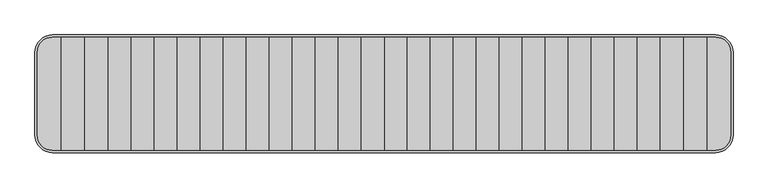
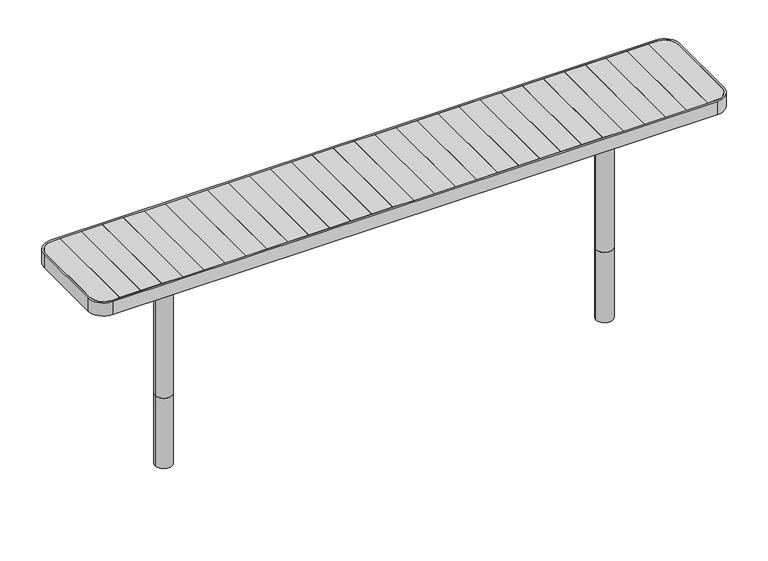
"""IFC4 building model written with IfcOpenShell, lengths in millimetres: furniture geometry."""

from ifc_helpers import new_model, si_unit, point, frame, frame_2d, origin, origin_with_axes, place, context, project, spatial, polyline, circle_curve, trimmed, segment, composite_curve, outline, extrude, source, transform, mapped, element, save
from ifc_brep_helpers import plane_surface, cylinder_surface, advanced_brep


def furniture_18b70ce7(model_context):
    return source(origin(), model_context, "Body", "SolidModel", [
        extrude(outline(composite_curve([segment(trimmed(circle_curve(frame_2d((1036.3271918, 0.0)), 40.0), [point((1076.3271918, 0.0))], [point((996.3271918, 0.0))], False, "CARTESIAN"), True, "CONTINUOUS"), segment(trimmed(circle_curve(frame_2d((1036.3271918, 0.0)), 40.0), [point((996.3271918, 0.0))], [point((1076.3271918, 0.0))], False, "CARTESIAN"), True, "CONTINUOUS")], self_intersect=False)), origin_with_axes(), (0.0, 0.0, 1.0), 708.0),
        extrude(outline(composite_curve([segment(trimmed(circle_curve(frame_2d((-1036.3271918, 0.0)), 40.0), [point((-1076.3271918, 0.0))], [point((-996.3271918, 0.0))], False, "CARTESIAN"), True, "CONTINUOUS"), segment(trimmed(circle_curve(frame_2d((-1036.3271918, 0.0)), 40.0), [point((-996.3271918, 0.0))], [point((-1076.3271918, 0.0))], False, "CARTESIAN"), True, "CONTINUOUS")], self_intersect=False)), origin_with_axes(), (0.0, 0.0, 1.0), 708.0),
        extrude(outline(polyline([(-1283.1, -242.0), (-1381.8, -242.0), (-1381.8, 242.0), (-1283.1, 242.0), (-1283.1, -242.0)])), frame((0.0, 0.0, 712.0), z_axis=(0.0, 0.0, 1.0), x_axis=(1.0, 0.0, 0.0)), (0.0, 0.0, 1.0), 28.0),
        extrude(outline(polyline([(-1184.4, -242.0), (-1283.1, -242.0), (-1283.1, 242.0), (-1184.4, 242.0), (-1184.4, -242.0)])), frame((0.0, 0.0, 712.0), z_axis=(0.0, 0.0, 1.0), x_axis=(1.0, 0.0, 0.0)), (0.0, 0.0, 1.0), 28.0),
        extrude(outline(polyline([(-1085.7, -242.0), (-1184.4, -242.0), (-1184.4, 242.0), (-1085.7, 242.0), (-1085.7, -242.0)])), frame((0.0, 0.0, 712.0), z_axis=(0.0, 0.0, 1.0), x_axis=(1.0, 0.0, 0.0)), (0.0, 0.0, 1.0), 28.0),
        extrude(outline(polyline([(-987.0, -242.0), (-1085.7, -242.0), (-1085.7, 242.0), (-987.0, 242.0), (-987.0, -242.0)])), frame((0.0, 0.0, 712.0), z_axis=(0.0, 0.0, 1.0), x_axis=(1.0, 0.0, 0.0)), (0.0, 0.0, 1.0), 28.0),
        extrude(outline(polyline([(-888.3, -242.0), (-987.0, -242.0), (-987.0, 242.0), (-888.3, 242.0), (-888.3, -242.0)])), frame((0.0, 0.0, 712.0), z_axis=(0.0, 0.0, 1.0), x_axis=(1.0, 0.0, 0.0)), (0.0, 0.0, 1.0), 28.0),
        extrude(outline(polyline([(-789.6, -242.0), (-888.3, -242.0), (-888.3, 242.0), (-789.6, 242.0), (-789.6, -242.0)])), frame((0.0, 0.0, 712.0), z_axis=(0.0, 0.0, 1.0), x_axis=(1.0, 0.0, 0.0)), (0.0, 0.0, 1.0), 28.0),
        extrude(outline(polyline([(-690.9, -242.0), (-789.6, -242.0), (-789.6, 242.0), (-690.9, 242.0), (-690.9, -242.0)])), frame((0.0, 0.0, 712.0), z_axis=(0.0, 0.0, 1.0), x_axis=(1.0, 0.0, 0.0)), (0.0, 0.0, 1.0), 28.0),
        extrude(outline(polyline([(-592.2, -242.0), (-690.9, -242.0), (-690.9, 242.0), (-592.2, 242.0), (-592.2, -242.0)])), frame((0.0, 0.0, 712.0), z_axis=(0.0, 0.0, 1.0), x_axis=(1.0, 0.0, 0.0)), (0.0, 0.0, 1.0), 28.0),
        extrude(outline(polyline([(-493.5, -242.0), (-592.2, -242.0), (-592.2, 242.0), (-493.5, 242.0), (-493.5, -242.0)])), frame((0.0, 0.0, 712.0), z_axis=(0.0, 0.0, 1.0), x_axis=(1.0, 0.0, 0.0)), (0.0, 0.0, 1.0), 28.0),
        extrude(outline(polyline([(-394.8, -242.0), (-493.5, -242.0), (-493.5, 242.0), (-394.8, 242.0), (-394.8, -242.0)])), frame((0.0, 0.0, 712.0), z_axis=(0.0, 0.0, 1.0), x_axis=(1.0, 0.0, 0.0)), (0.0, 0.0, 1.0), 28.0),
        extrude(outline(polyline([(-296.1, -242.0), (-394.8, -242.0), (-394.8, 242.0), (-296.1, 242.0), (-296.1, -242.0)])), frame((0.0, 0.0, 712.0), z_axis=(0.0, 0.0, 1.0), x_axis=(1.0, 0.0, 0.0)), (0.0, 0.0, 1.0), 28.0),
        extrude(outline(composite_curve([segment(polyline([(-1485.5004557, -177.0), (-1485.5004557, 177.0)]), True, "CONTINUOUS"), segment(trimmed(circle_curve(frame_2d((-1420.5004557, 177.0)), 65.0), [point((-1485.5004557, 177.0))], [point((-1420.5004557, 242.0))], False, "CARTESIAN"), True, "CONTINUOUS"), segment(polyline([(-1420.5004557, 242.0), (-1381.8, 242.0), (-1381.8, -242.0), (-1420.5004557, -242.0)]), True, "CONTINUOUS"), segment(trimmed(circle_curve(frame_2d((-1420.5004557, -177.0)), 65.0), [point((-1420.5004557, -242.0))], [point((-1485.5004557, -177.0))], False, "CARTESIAN"), True, "CONTINUOUS")], self_intersect=False)), frame((0.0, 0.0, 712.0), z_axis=(0.0, 0.0, 1.0), x_axis=(1.0, 0.0, 0.0)), (0.0, 0.0, 1.0), 28.0),
        extrude(outline(polyline([(-197.4, -242.0), (-296.1, -242.0), (-296.1, 242.0), (-197.4, 242.0), (-197.4, -242.0)])), frame((0.0, 0.0, 712.0), z_axis=(0.0, 0.0, 1.0), x_axis=(1.0, 0.0, 0.0)), (0.0, 0.0, 1.0), 28.0),
        extrude(outline(polyline([(-98.7, -242.0), (-197.4, -242.0), (-197.4, 242.0), (-98.7, 242.0), (-98.7, -242.0)])), frame((0.0, 0.0, 712.0), z_axis=(0.0, 0.0, 1.0), x_axis=(1.0, 0.0, 0.0)), (0.0, 0.0, 1.0), 28.0),
        extrude(outline(polyline([(0.0, -242.0), (-98.7, -242.0), (-98.7, 242.0), (0.0, 242.0), (0.0, -242.0)])), frame((0.0, 0.0, 712.0), z_axis=(0.0, 0.0, 1.0), x_axis=(1.0, 0.0, 0.0)), (0.0, 0.0, 1.0), 28.0),
        extrude(outline(polyline([(1381.8, -242.0), (1283.1, -242.0), (1283.1, 242.0), (1381.8, 242.0), (1381.8, -242.0)])), frame((0.0, 0.0, 712.0), z_axis=(0.0, 0.0, 1.0), x_axis=(1.0, 0.0, 0.0)), (0.0, 0.0, 1.0), 28.0),
        extrude(outline(polyline([(1283.1, -242.0), (1184.4, -242.0), (1184.4, 242.0), (1283.1, 242.0), (1283.1, -242.0)])), frame((0.0, 0.0, 712.0), z_axis=(0.0, 0.0, 1.0), x_axis=(1.0, 0.0, 0.0)), (0.0, 0.0, 1.0), 28.0),
        extrude(outline(polyline([(1184.4, -242.0), (1085.7, -242.0), (1085.7, 242.0), (1184.4, 242.0), (1184.4, -242.0)])), frame((0.0, 0.0, 712.0), z_axis=(0.0, 0.0, 1.0), x_axis=(1.0, 0.0, 0.0)), (0.0, 0.0, 1.0), 28.0),
        extrude(outline(polyline([(1085.7, -242.0), (987.0, -242.0), (987.0, 242.0), (1085.7, 242.0), (1085.7, -242.0)])), frame((0.0, 0.0, 712.0), z_axis=(0.0, 0.0, 1.0), x_axis=(1.0, 0.0, 0.0)), (0.0, 0.0, 1.0), 28.0),
        extrude(outline(polyline([(987.0, -242.0), (888.3, -242.0), (888.3, 242.0), (987.0, 242.0), (987.0, -242.0)])), frame((0.0, 0.0, 712.0), z_axis=(0.0, 0.0, 1.0), x_axis=(1.0, 0.0, 0.0)), (0.0, 0.0, 1.0), 28.0),
        extrude(outline(polyline([(888.3, -242.0), (789.6, -242.0), (789.6, 242.0), (888.3, 242.0), (888.3, -242.0)])), frame((0.0, 0.0, 712.0), z_axis=(0.0, 0.0, 1.0), x_axis=(1.0, 0.0, 0.0)), (0.0, 0.0, 1.0), 28.0),
        extrude(outline(polyline([(789.6, -242.0), (690.9, -242.0), (690.9, 242.0), (789.6, 242.0), (789.6, -242.0)])), frame((0.0, 0.0, 712.0), z_axis=(0.0, 0.0, 1.0), x_axis=(1.0, 0.0, 0.0)), (0.0, 0.0, 1.0), 28.0),
        extrude(outline(polyline([(690.9, -242.0), (592.2, -242.0), (592.2, 242.0), (690.9, 242.0), (690.9, -242.0)])), frame((0.0, 0.0, 712.0), z_axis=(0.0, 0.0, 1.0), x_axis=(1.0, 0.0, 0.0)), (0.0, 0.0, 1.0), 28.0),
        extrude(outline(polyline([(592.2, -242.0), (493.5, -242.0), (493.5, 242.0), (592.2, 242.0), (592.2, -242.0)])), frame((0.0, 0.0, 712.0), z_axis=(0.0, 0.0, 1.0), x_axis=(1.0, 0.0, 0.0)), (0.0, 0.0, 1.0), 28.0),
        extrude(outline(polyline([(493.5, -242.0), (394.8, -242.0), (394.8, 242.0), (493.5, 242.0), (493.5, -242.0)])), frame((0.0, 0.0, 712.0), z_axis=(0.0, 0.0, 1.0), x_axis=(1.0, 0.0, 0.0)), (0.0, 0.0, 1.0), 28.0),
        extrude(outline(polyline([(394.8, -242.0), (296.1, -242.0), (296.1, 242.0), (394.8, 242.0), (394.8, -242.0)])), frame((0.0, 0.0, 712.0), z_axis=(0.0, 0.0, 1.0), x_axis=(1.0, 0.0, 0.0)), (0.0, 0.0, 1.0), 28.0),
        extrude(outline(composite_curve([segment(trimmed(circle_curve(frame_2d((1420.5004557, -177.0)), 65.0), [point((1485.5004557, -177.0))], [point((1420.5004557, -242.0))], False, "CARTESIAN"), True, "CONTINUOUS"), segment(polyline([(1420.5004557, -242.0), (1381.8, -242.0), (1381.8, 242.0), (1420.5004557, 242.0)]), True, "CONTINUOUS"), segment(trimmed(circle_curve(frame_2d((1420.5004557, 177.0)), 65.0), [point((1420.5004557, 242.0))], [point((1485.5004557, 177.0))], False, "CARTESIAN"), True, "CONTINUOUS"), segment(polyline([(1485.5004557, 177.0), (1485.5004557, -177.0)]), True, "CONTINUOUS")], self_intersect=False)), frame((0.0, 0.0, 712.0), z_axis=(0.0, 0.0, 1.0), x_axis=(1.0, 0.0, 0.0)), (0.0, 0.0, 1.0), 28.0),
        extrude(outline(polyline([(296.1, -242.0), (197.4, -242.0), (197.4, 242.0), (296.1, 242.0), (296.1, -242.0)])), frame((0.0, 0.0, 712.0), z_axis=(0.0, 0.0, 1.0), x_axis=(1.0, 0.0, 0.0)), (0.0, 0.0, 1.0), 28.0),
        extrude(outline(polyline([(197.4, -242.0), (98.7, -242.0), (98.7, 242.0), (197.4, 242.0), (197.4, -242.0)])), frame((0.0, 0.0, 712.0), z_axis=(0.0, 0.0, 1.0), x_axis=(1.0, 0.0, 0.0)), (0.0, 0.0, 1.0), 28.0),
        extrude(outline(polyline([(98.7, -242.0), (0.0, -242.0), (0.0, 242.0), (98.7, 242.0), (98.7, -242.0)])), frame((0.0, 0.0, 712.0), z_axis=(0.0, 0.0, 1.0), x_axis=(1.0, 0.0, 0.0)), (0.0, 0.0, 1.0), 28.0),
        advanced_brep(
        [(-1485.5004557, 177.0, 708.0), (-1420.5004557, 242.0, 708.0), (1420.5004557, 242.0, 708.0), (1485.5004557, 177.0, 708.0), (1485.5004557, -177.0, 708.0), (1420.5004557, -242.0, 708.0), (-1420.5004557, -242.0, 708.0), (-1485.5004557, -177.0, 708.0), (-1076.8785308, -142.0, 708.0), (-1076.8785308, 142.0, 708.0), (-1376.8, 141.9868511, 708.0), (-1376.8, -142.0, 708.0), (-995.8618569, 142.0, 708.0), (-995.8618569, -142.0, 708.0), (995.8618569, -142.0, 708.0), (995.8618569, 142.0, 708.0), (1386.8, 141.9868511, 708.0), (1076.8785308, 141.9885614, 708.0), (1076.8785308, -142.0, 708.0), (1386.8, -142.0, 708.0), (-1076.8785308, -142.0, 712.0), (-1076.8785308, 142.0, 712.0), (-1485.5004557, 177.0, 712.0), (-1485.5004557, -177.0, 712.0), (-1420.5004557, -242.0, 712.0), (1420.5004557, -242.0, 712.0), (1485.5004557, -177.0, 712.0), (1485.5004557, 177.0, 712.0), (1420.5004557, 242.0, 712.0), (-1420.5004557, 242.0, 712.0), (-1376.8, -142.0, 712.0), (-1376.8, 141.9868511, 712.0), (-995.8618569, -142.0, 712.0), (-995.8618569, 142.0, 712.0), (995.8618569, 141.9890085, 712.0), (995.8618569, -142.0, 712.0), (1386.8, -142.0, 712.0), (1076.8785308, -142.0, 712.0), (1076.8785308, 142.0, 712.0), (1386.8, 141.9868511, 712.0)],
        [
            (0, 1, circle_curve(frame((-1420.5004557, 177.0, 708.0), z_axis=(0.0, 0.0, -1.0), x_axis=(1.0, 0.0, 0.0)), 65.0)),
            (1, 2),
            (2, 3, circle_curve(frame((1420.5004557, 177.0, 708.0), z_axis=(0.0, 0.0, -1.0), x_axis=(-1.0, 0.0, 0.0)), 65.0)),
            (3, 4),
            (4, 5, circle_curve(frame((1420.5004557, -177.0, 708.0), z_axis=(0.0, 0.0, -1.0), x_axis=(-1.0, 0.0, 0.0)), 65.0)),
            (5, 6),
            (6, 7, circle_curve(frame((-1420.5004557, -177.0, 708.0), z_axis=(0.0, 0.0, -1.0), x_axis=(1.0, 0.0, 0.0)), 65.0)),
            (7, 0),
            (8, 9),
            (9, 10),
            (10, 11),
            (11, 8),
            (12, 13),
            (13, 14),
            (14, 15),
            (15, 12),
            (16, 17),
            (17, 18),
            (18, 19),
            (19, 16),
            (8, 20),
            (20, 21),
            (21, 9),
            (22, 23),
            (23, 24, circle_curve(frame((-1420.5004557, -177.0, 712.0), z_axis=(0.0, 0.0, 1.0), x_axis=(1.0, 0.0, 0.0)), 65.0)),
            (24, 25),
            (25, 26, circle_curve(frame((1420.5004557, -177.0, 712.0), z_axis=(0.0, 0.0, 1.0), x_axis=(-1.0, 0.0, 0.0)), 65.0)),
            (26, 27),
            (27, 28, circle_curve(frame((1420.5004557, 177.0, 712.0), z_axis=(0.0, 0.0, 1.0), x_axis=(-1.0, 0.0, 0.0)), 65.0)),
            (28, 29),
            (29, 22, circle_curve(frame((-1420.5004557, 177.0, 712.0), z_axis=(0.0, 0.0, 1.0), x_axis=(1.0, 0.0, 0.0)), 65.0)),
            (20, 30),
            (30, 31),
            (31, 21),
            (32, 33),
            (33, 34),
            (34, 35),
            (35, 32),
            (36, 37),
            (37, 38),
            (38, 39),
            (39, 36),
            (12, 33),
            (32, 13),
            (22, 0),
            (7, 23),
            (6, 24),
            (5, 25),
            (4, 26),
            (3, 27),
            (2, 28),
            (1, 29),
            (15, 34),
            (31, 10),
            (16, 39),
            (38, 17),
            (19, 36),
            (35, 14),
            (18, 37),
            (11, 30),
        ],
        [
            plane_surface(frame((-1076.8785308, -142.0, 708.0), z_axis=(0.0, 0.0, -1.0), x_axis=(0.0, 1.0, 0.0))),
            plane_surface(frame((-1076.8785308, -142.0, 712.0), z_axis=(-1.0, 0.0, 0.0), x_axis=(0.0, 1.0, 0.0))),
            plane_surface(frame((-995.8618569, -142.0, 712.0), z_axis=(0.0, 0.0, 1.0), x_axis=(0.0, 1.0, 0.0))),
            plane_surface(frame((-995.8618569, -142.0, 708.0), z_axis=(1.0, 0.0, 0.0), x_axis=(0.0, 1.0, 0.0))),
            plane_surface(frame((-1485.5004557, 177.0, 712.0), z_axis=(-1.0, 0.0, 0.0), x_axis=(0.0, 0.0, -1.0))),
            cylinder_surface(frame((-1420.5004557, -177.0, 708.0), z_axis=(0.0, 0.0, 1.0), x_axis=(1.0, 0.0, 0.0)), 65.0),
            plane_surface(frame((-1420.5004557, -242.0, 712.0), z_axis=(0.0, -1.0, 0.0), x_axis=(0.0, 0.0, -1.0))),
            cylinder_surface(frame((1420.5004557, -177.0, 708.0), z_axis=(0.0, 0.0, 1.0), x_axis=(-1.0, 0.0, 0.0)), 65.0),
            plane_surface(frame((1485.5004557, -177.0, 712.0), z_axis=(1.0, 0.0, 0.0), x_axis=(0.0, 0.0, -1.0))),
            cylinder_surface(frame((1420.5004557, 177.0, 708.0), z_axis=(0.0, 0.0, 1.0), x_axis=(-1.0, 0.0, 0.0)), 65.0),
            plane_surface(frame((1420.5004557, 242.0, 712.0), z_axis=(0.0, 1.0, 0.0), x_axis=(0.0, 0.0, -1.0))),
            cylinder_surface(frame((-1420.5004557, 177.0, 708.0), z_axis=(0.0, 0.0, 1.0), x_axis=(1.0, 0.0, 0.0)), 65.0),
            plane_surface(frame((-1376.8, 141.9868511, 712.0), z_axis=(0.0, -1.0, 0.0), x_axis=(0.0, 0.0, -1.0))),
            plane_surface(frame((1386.8, 141.9868511, 712.0), z_axis=(-1.0, 0.0, 0.0), x_axis=(0.0, 0.0, -1.0))),
            plane_surface(frame((1386.8, -142.0, 712.0), z_axis=(0.0, 1.0, 0.0), x_axis=(0.0, 0.0, -1.0))),
            plane_surface(frame((-1376.8, -142.0, 712.0), z_axis=(1.0, 0.0, 0.0), x_axis=(0.0, 0.0, -1.0))),
            plane_surface(frame((1076.8785308, -142.0, 708.0), z_axis=(1.0, 0.0, 0.0), x_axis=(0.0, 1.0, 0.0))),
            plane_surface(frame((995.8618569, -142.0, 712.0), z_axis=(-1.0, 0.0, 0.0), x_axis=(0.0, 1.0, 0.0))),
        ],
        [
            (0, [[1, 2, 3, 4, 5, 6, 7, 8], [9, 10, 11, 12], [13, 14, 15, 16], [17, 18, 19, 20]]),
            (1, [[-9, 21, 22, 23]]),
            (2, [[24, 25, 26, 27, 28, 29, 30, 31], [-22, 32, 33, 34], [35, 36, 37, 38], [39, 40, 41, 42]]),
            (3, [[-13, 43, -35, 44]]),
            (4, [[-24, 45, -8, 46]]),
            (5, [[-25, -46, -7, 47]]),
            (6, [[-26, -47, -6, 48]]),
            (7, [[-27, -48, -5, 49]]),
            (8, [[-28, -49, -4, 50]]),
            (9, [[-29, -50, -3, 51]]),
            (10, [[-30, -51, -2, 52]]),
            (11, [[-31, -52, -1, -45]]),
            (12, [[-43, -16, 53, -36]]),
            (12, [[54, -10, -23, -34]]),
            (12, [[55, -41, 56, -17]]),
            (13, [[-42, -55, -20, 57]]),
            (14, [[-44, -38, 58, -14]]),
            (14, [[-57, -19, 59, -39]]),
            (14, [[60, -32, -21, -12]]),
            (15, [[-33, -60, -11, -54]]),
            (16, [[-18, -56, -40, -59]]),
            (17, [[-15, -58, -37, -53]]),
        ],
    ),
        extrude(outline(composite_curve([segment(polyline([(-1495.5004557, -177.0), (-1495.5004557, 177.0)]), True, "CONTINUOUS"), segment(trimmed(circle_curve(frame_2d((-1420.5004557, 177.0)), 75.0), [point((-1495.5004557, 177.0))], [point((-1420.5004557, 252.0))], False, "CARTESIAN"), True, "CONTINUOUS"), segment(polyline([(-1420.5004557, 252.0), (1420.5004557, 252.0)]), True, "CONTINUOUS"), segment(trimmed(circle_curve(frame_2d((1420.5004557, 177.0)), 75.0), [point((1420.5004557, 252.0))], [point((1495.5004557, 177.0))], False, "CARTESIAN"), True, "CONTINUOUS"), segment(polyline([(1495.5004557, 177.0), (1495.5004557, -177.0)]), True, "CONTINUOUS"), segment(trimmed(circle_curve(frame_2d((1420.5004557, -177.0)), 75.0), [point((1495.5004557, -177.0))], [point((1420.5004557, -252.0))], False, "CARTESIAN"), True, "CONTINUOUS"), segment(polyline([(1420.5004557, -252.0), (-1420.5004557, -252.0)]), True, "CONTINUOUS"), segment(trimmed(circle_curve(frame_2d((-1420.5004557, -177.0)), 75.0), [point((-1420.5004557, -252.0))], [point((-1495.5004557, -177.0))], False, "CARTESIAN"), True, "CONTINUOUS")], self_intersect=False), holes=[composite_curve([segment(trimmed(circle_curve(frame_2d((-1420.5004557, -177.0)), 65.0), [point((-1485.5004557, -177.0))], [point((-1420.5004557, -242.0))], True, "CARTESIAN"), True, "CONTINUOUS"), segment(polyline([(-1420.5004557, -242.0), (1420.5004557, -242.0)]), True, "CONTINUOUS"), segment(trimmed(circle_curve(frame_2d((1420.5004557, -177.0)), 65.0), [point((1420.5004557, -242.0))], [point((1485.5004557, -177.0))], True, "CARTESIAN"), True, "CONTINUOUS"), segment(polyline([(1485.5004557, -177.0), (1485.5004557, 177.0)]), True, "CONTINUOUS"), segment(trimmed(circle_curve(frame_2d((1420.5004557, 177.0)), 65.0), [point((1485.5004557, 177.0))], [point((1420.5004557, 242.0))], True, "CARTESIAN"), True, "CONTINUOUS"), segment(polyline([(1420.5004557, 242.0), (-1420.5004557, 242.0)]), True, "CONTINUOUS"), segment(trimmed(circle_curve(frame_2d((-1420.5004557, 177.0)), 65.0), [point((-1420.5004557, 242.0))], [point((-1485.5004557, 177.0))], True, "CARTESIAN"), True, "CONTINUOUS"), segment(polyline([(-1485.5004557, 177.0), (-1485.5004557, -177.0)]), True, "CONTINUOUS")], self_intersect=False)]), frame((0.0, 0.0, 675.0000413), z_axis=(0.0, 0.0, 1.0), x_axis=(1.0, 0.0, 0.0)), (0.0, 0.0, 1.0), 64.9999587),
        extrude(outline(composite_curve([segment(trimmed(circle_curve(frame_2d((1036.3271918, 0.0)), 40.0), [point((1076.3271918, 0.0))], [point((996.3271918, 0.0))], False, "CARTESIAN"), True, "CONTINUOUS"), segment(trimmed(circle_curve(frame_2d((1036.3271918, 0.0)), 40.0), [point((996.3271918, 0.0))], [point((1076.3271918, 0.0))], False, "CARTESIAN"), True, "CONTINUOUS")], self_intersect=False)), frame((0.0, 0.0, -350.0), z_axis=(0.0, 0.0, 1.0), x_axis=(1.0, 0.0, 0.0)), (0.0, 0.0, 1.0), 350.0),
        extrude(outline(composite_curve([segment(trimmed(circle_curve(frame_2d((-1036.3271918, 0.0)), 40.0), [point((-1076.3271918, 0.0))], [point((-996.3271918, 0.0))], False, "CARTESIAN"), True, "CONTINUOUS"), segment(trimmed(circle_curve(frame_2d((-1036.3271918, 0.0)), 40.0), [point((-996.3271918, 0.0))], [point((-1076.3271918, 0.0))], False, "CARTESIAN"), True, "CONTINUOUS")], self_intersect=False)), frame((0.0, 0.0, -350.0), z_axis=(0.0, 0.0, 1.0), x_axis=(1.0, 0.0, 0.0)), (0.0, 0.0, 1.0), 350.0),
    ])


if __name__ == "__main__":
    model = new_model("IFC4")
    model_context = context("Model", 3, world=origin())
    ifc_project = project(units=[si_unit("LENGTHUNIT", "METRE", prefix="MILLI")], contexts=[model_context])
    site = spatial("IfcSite", under=ifc_project)
    building = spatial("IfcBuilding", under=site)
    placement = place(None, origin())
    furniture_shape = furniture_18b70ce7(model_context)
    element("IfcFurniture", 1, at=placement, inside=building, context=model_context, shape_type="MappedRepresentation", body=[
        mapped(furniture_shape, transform((0.0, 0.0, 0.0), x_axis=(1.0, 0.0, 0.0), y_axis=(0.0, 1.0, 0.0), z_axis=(0.0, 0.0, 1.0))),
    ])
    save(model, "model.ifc")
